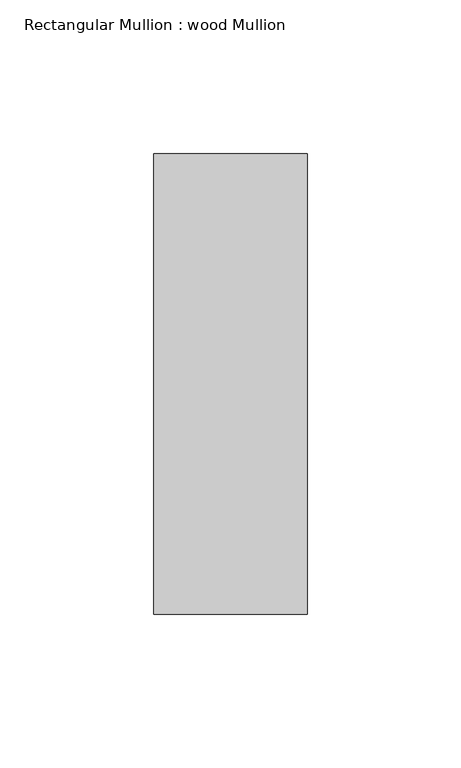
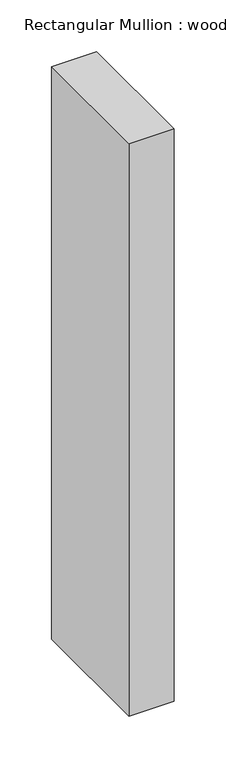
"""IFC4 building model written with IfcOpenShell, lengths in millimetres: member geometry, Rectangular Mullion : wood Mullion."""

from ifc_helpers import new_model, si_unit, frame, origin, place, context, project, spatial, polyline, outline, extrude, source, transform, mapped, element, save


def rectangular_mullion_wood_mullion_9e0f1e24(model_context):
    return source(origin(), model_context, "Body", "SweptSolid", [
        extrude(outline(polyline([(25.0, 75.0), (25.0, -75.0), (-25.0, -75.0), (-25.0, 75.0), (25.0, 75.0)])), frame((0.0, 0.0, -675.0), z_axis=(0.0, 0.0, 1.0), x_axis=(1.0, 0.0, 0.0)), (0.0, 0.0, 1.0), 675.0),
    ])


if __name__ == "__main__":
    model = new_model("IFC4")
    model_context = context("Model", 3, world=origin())
    ifc_project = project(units=[si_unit("LENGTHUNIT", "METRE", prefix="MILLI")], contexts=[model_context])
    site = spatial("IfcSite", under=ifc_project)
    building = spatial("IfcBuilding", under=site)
    placement = place(None, origin())
    rectangular_mullion_wood_mullion_shape = rectangular_mullion_wood_mullion_9e0f1e24(model_context)
    element("IfcMember", 1, ObjectType="Rectangular Mullion : wood Mullion", at=placement, inside=building, context=model_context, shape_type="MappedRepresentation", body=[
        mapped(rectangular_mullion_wood_mullion_shape, transform((0.0, 0.0, 0.0), x_axis=(1.0, 0.0, 0.0), y_axis=(0.0, 1.0, 0.0), z_axis=(0.0, 0.0, 1.0))),
    ])
    save(model, "model.ifc")
